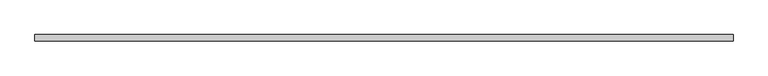
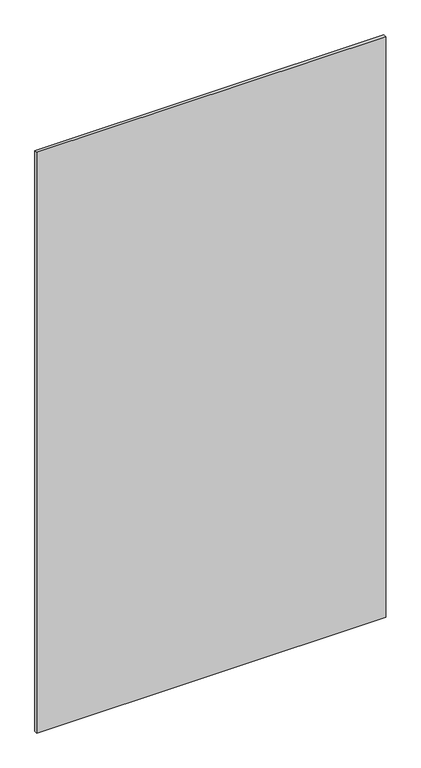
"""IFC4 building model written with IfcOpenShell, lengths in millimetres: plate geometry."""

from ifc_helpers import new_model, si_unit, origin, origin_with_axes, place, context, project, spatial, polyline, outline, extrude, source, transform, mapped, element, save


def plate_40b47fc1(model_context):
    return source(origin(), model_context, "Body", "SweptSolid", [
        extrude(outline(polyline([(567.2917659, -10.0), (-567.2917659, -10.0), (-567.2917659, 0.0), (567.2917659, 0.0), (567.2917659, -10.0)])), origin_with_axes(), (0.0, 0.0, 1.0), 1995.978237),
    ])


if __name__ == "__main__":
    model = new_model("IFC4")
    model_context = context("Model", 3, world=origin())
    ifc_project = project(units=[si_unit("LENGTHUNIT", "METRE", prefix="MILLI")], contexts=[model_context])
    site = spatial("IfcSite", under=ifc_project)
    building = spatial("IfcBuilding", under=site)
    placement = place(None, origin())
    plate_shape = plate_40b47fc1(model_context)
    element("IfcPlate", 1, at=placement, inside=building, context=model_context, shape_type="MappedRepresentation", body=[
        mapped(plate_shape, transform((0.0, 0.0, 0.0), x_axis=(1.0, 0.0, 0.0), y_axis=(0.0, 1.0, 0.0), z_axis=(0.0, 0.0, 1.0))),
    ])
    save(model, "model.ifc")
